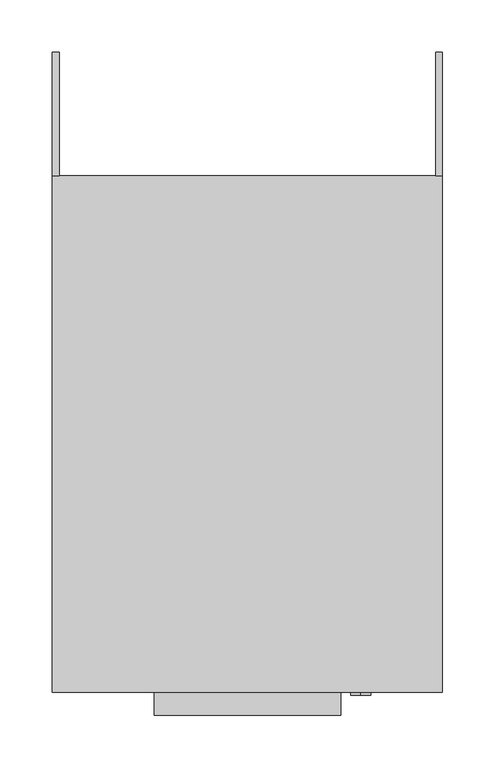
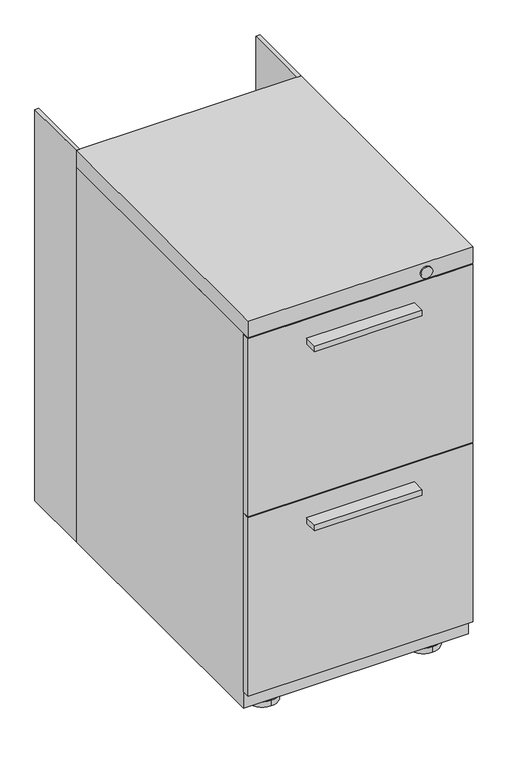
"""IFC4 building model written with IfcOpenShell, lengths in millimetres: furniture geometry."""

import ifcopenshell
import ifcopenshell.guid

model = None  # the IFC model being written
_history = None  # IfcOwnerHistory: only IFC2X3 demands one
_inside = {}  # id of a spatial element -> (the spatial element, [elements in it])
_under = {}  # id of a project, library or spatial element -> (it, [spatial elements below it])
_declared = {}  # id of a project -> (the project, [libraries it declares])
_typed = {}  # id of a type object -> (the type object, [elements of that type])
_made_of = {}  # id of a material, layer set ... -> (it, [elements and type objects made of it])


def new_model(schema):
    """Start an empty IFC model of exactly this schema.

    Asked for "IFC4X3", IfcOpenShell would pick the latest addendum, in which some entities
    have other attributes; the version numbers below select the first issue.
    IFC2X3 requires an IfcOwnerHistory on every rooted entity: one is made here for all.
    """
    global model, _history
    if schema == "IFC4X3":
        model = ifcopenshell.file(schema_version=(4, 3, 0, 0))
    else:
        model = ifcopenshell.file(schema=schema)
    _inside.clear()
    _under.clear()
    _declared.clear()
    _typed.clear()
    _made_of.clear()
    _history = None
    if model.schema == "IFC2X3":
        org = make("IfcOrganization", Name="unknown")
        user = make(
            "IfcPersonAndOrganization",
            ThePerson=make("IfcPerson", FamilyName="unknown"),
            TheOrganization=org,
        )
        app = make(
            "IfcApplication",
            ApplicationDeveloper=org,
            Version="unknown",
            ApplicationFullName="unknown",
            ApplicationIdentifier="unknown",
        )
        _history = make(
            "IfcOwnerHistory",
            OwningUser=user,
            OwningApplication=app,
            ChangeAction="ADDED",
            CreationDate=0,
        )
    return model


def make(cls, **values):
    """One entity of the class cls with the attributes given. An attribute that is None is left unset."""
    return model.create_entity(
        cls, **{name: value for name, value in values.items() if value is not None}
    )


def rooted(cls, **values):
    """An entity with a GlobalId (a new one), such as an element, a storey or a relation."""
    return make(cls, GlobalId=ifcopenshell.guid.new(), OwnerHistory=_history, **values)


def si_unit(unit_type, name, prefix=None):
    """IfcSIUnit, for example si_unit("LENGTHUNIT", "METRE", prefix="MILLI")."""
    return make("IfcSIUnit", UnitType=unit_type, Prefix=prefix, Name=name)


def assignment(units):
    """IfcUnitAssignment: the units of a project."""
    return None if units is None else make("IfcUnitAssignment", Units=units)


def point(xyz):
    """IfcCartesianPoint."""
    return None if xyz is None else make("IfcCartesianPoint", Coordinates=xyz)


def direction(xyz):
    """IfcDirection."""
    return None if xyz is None else make("IfcDirection", DirectionRatios=xyz)


def frame(location, z_axis=None, x_axis=None):
    """IfcAxis2Placement3D, a coordinate frame: its origin and axes. An axis left out is left unset."""
    return make(
        "IfcAxis2Placement3D",
        Location=point(location),
        Axis=direction(z_axis),
        RefDirection=direction(x_axis),
    )


def frame_2d(location, x_axis=None):
    """IfcAxis2Placement2D, a coordinate frame in the plane: its origin and x axis."""
    return make(
        "IfcAxis2Placement2D", Location=point(location), RefDirection=direction(x_axis)
    )


def origin():
    """The frame at (0, 0, 0) with its axes left unset."""
    return frame((0.0, 0.0, 0.0))


def place(relative_to, where):
    """IfcLocalPlacement: puts the frame where relative to a parent placement (None: the world)."""
    return make(
        "IfcLocalPlacement", PlacementRelTo=relative_to, RelativePlacement=where
    )


def context(
    kind, dimensions, precision=None, world=None, true_north=None, identifier=None
):
    """IfcGeometricRepresentationContext, for example the 3D "Model" context."""
    return make(
        "IfcGeometricRepresentationContext",
        ContextIdentifier=identifier,
        ContextType=kind,
        CoordinateSpaceDimension=dimensions,
        Precision=precision,
        WorldCoordinateSystem=world,
        TrueNorth=true_north,
    )


def project(units=None, contexts=None):
    """IfcProject with its units and contexts."""
    return rooted(
        "IfcProject",
        Name="project",
        RepresentationContexts=contexts,
        UnitsInContext=assignment(units),
    )


def spatial(cls, under=None, at=None, **own):
    """A site, building, storey or space (cls), placed at a placement, below another one or the project."""
    s = rooted(cls, ObjectPlacement=at, **own)
    if under is not None:
        _under.setdefault(under.id(), (under, []))[1].append(s)
    return s


def polyline(points):
    """IfcPolyline through the points."""
    return make("IfcPolyline", Points=[point(p) for p in points])


def circle_curve(where, radius):
    """IfcCircle in the frame where."""
    return make("IfcCircle", Position=where, Radius=radius)


def trimmed(basis, trim1, trim2, sense, master):
    """IfcTrimmedCurve: the piece of a basis curve between two trims."""
    return make(
        "IfcTrimmedCurve",
        BasisCurve=basis,
        Trim1=trim1,
        Trim2=trim2,
        SenseAgreement=sense,
        MasterRepresentation=master,
    )


def segment(curve, same_sense, transition):
    """IfcCompositeCurveSegment."""
    return make(
        "IfcCompositeCurveSegment",
        Transition=transition,
        SameSense=same_sense,
        ParentCurve=curve,
    )


def composite_curve(segments, self_intersect=None):
    """IfcCompositeCurve: segments joined end to end."""
    return make("IfcCompositeCurve", Segments=segments, SelfIntersect=self_intersect)


def outline(outer, holes=None, kind="AREA"):
    """IfcArbitraryClosedProfileDef: a profile drawn as a closed curve; with holes, ...WithVoids."""
    if holes is None:
        return make("IfcArbitraryClosedProfileDef", ProfileType=kind, OuterCurve=outer)
    return make(
        "IfcArbitraryProfileDefWithVoids",
        ProfileType=kind,
        OuterCurve=outer,
        InnerCurves=holes,
    )


def extrude(swept, where, along, depth):
    """IfcExtrudedAreaSolid: the profile swept, set in the frame where, extruded along a direction by depth."""
    return make(
        "IfcExtrudedAreaSolid",
        SweptArea=swept,
        Position=where,
        ExtrudedDirection=direction(along),
        Depth=depth,
    )


def shape(context_of_items, identifier, shape_type, items):
    """IfcShapeRepresentation: the items that make up one representation, for example the "Body"."""
    return make(
        "IfcShapeRepresentation",
        ContextOfItems=context_of_items,
        RepresentationIdentifier=identifier,
        RepresentationType=shape_type,
        Items=items,
    )


def source(mapping_origin, context_of_items, identifier, shape_type, items):
    """IfcRepresentationMap: a shape defined once, which mapped items show again and again."""
    return make(
        "IfcRepresentationMap",
        MappingOrigin=mapping_origin,
        MappedRepresentation=shape(context_of_items, identifier, shape_type, items),
    )


def transform(
    local_origin,
    x_axis=None,
    y_axis=None,
    z_axis=None,
    scale=None,
    scale2=None,
    scale3=None,
    uniform=True,
):
    """IfcCartesianTransformationOperator3D, or its non-uniform kind. x_axis, y_axis, z_axis: its Axis1, 2, 3."""
    if uniform:
        return make(
            "IfcCartesianTransformationOperator3D",
            Axis1=direction(x_axis),
            Axis2=direction(y_axis),
            LocalOrigin=point(local_origin),
            Scale=scale,
            Axis3=direction(z_axis),
        )
    return make(
        "IfcCartesianTransformationOperator3DnonUniform",
        Axis1=direction(x_axis),
        Axis2=direction(y_axis),
        LocalOrigin=point(local_origin),
        Scale=scale,
        Axis3=direction(z_axis),
        Scale2=scale2,
        Scale3=scale3,
    )


def mapped(mapping_source, mapping_target):
    """IfcMappedItem: shows the shape of a source again, moved by a transform."""
    return make(
        "IfcMappedItem", MappingSource=mapping_source, MappingTarget=mapping_target
    )


def made_of(thing, what):
    """Note that an element or type object is made of a material, layer set ...; save() writes the relation."""
    if what is not None:
        _made_of.setdefault(what.id(), (what, []))[1].append(thing)
    return thing


def element(
    cls,
    number,
    at=None,
    inside=None,
    cuts=None,
    type_object=None,
    material=None,
    context=None,
    identifier="Body",
    shape_type=None,
    held_by="IfcProductDefinitionShape",
    body=None,
    shapes=None,
    **own,
):
    """One element of the class cls, such as IfcWall. Its Tag is "e" and its number.

    at: its placement. inside: the storey or other place that contains it. cuts: it is an
    opening in that element (IfcRelVoidsElement). A single representation is given by context,
    identifier, shape_type and body (its items); several are given by shapes. held_by: the class
    of the entity that holds the representations. save() writes the other relations.
    """
    e = rooted(cls, Tag="e%d" % number, ObjectPlacement=at, **own)
    if body is not None:
        shapes = [shape(context, identifier, shape_type, body)]
    if shapes is not None:
        e.Representation = make(held_by, Representations=shapes)
    if inside is not None:
        _inside.setdefault(inside.id(), (inside, []))[1].append(e)
    if cuts is not None:
        rooted(
            "IfcRelVoidsElement", RelatingBuildingElement=cuts, RelatedOpeningElement=e
        )
    if type_object is not None:
        _typed.setdefault(type_object.id(), (type_object, []))[1].append(e)
    return made_of(e, material)


def aggregate(whole, parts):
    """IfcRelAggregates: a whole, such as a stair, and the parts it consists of."""
    return rooted("IfcRelAggregates", RelatingObject=whole, RelatedObjects=parts)


def save(model, path):
    """Write the relations noted so far, then the file.

    IfcRelAggregates (storeys below a building ...), IfcRelContainedInSpatialStructure (elements
    in a storey), IfcRelDefinesByType, IfcRelAssociatesMaterial and IfcRelDeclares: one each for
    every whole, place, type object, material and project.
    """
    for whole, parts in _under.values():
        aggregate(whole, parts)
    for where, things in _inside.values():
        rooted(
            "IfcRelContainedInSpatialStructure",
            RelatedElements=things,
            RelatingStructure=where,
        )
    for kind, things in _typed.values():
        rooted("IfcRelDefinesByType", RelatedObjects=things, RelatingType=kind)
    for what, things in _made_of.values():
        rooted("IfcRelAssociatesMaterial", RelatedObjects=things, RelatingMaterial=what)
    for by, libraries in _declared.values():
        rooted("IfcRelDeclares", RelatingContext=by, RelatedDefinitions=libraries)
    model.write(path)


def plane_surface(at):
    """IfcPlane: the flat surface through the origin of the frame at, square to its z axis."""
    return make("IfcPlane", Position=at)


def cylinder_surface(at, radius):
    """IfcCylindricalSurface: all points at the distance radius from the z axis of the frame at."""
    return make("IfcCylindricalSurface", Position=at, Radius=radius)


def advanced_brep(points, edges, surfaces, faces):
    """IfcAdvancedBrep: a solid bounded by faces that lie on surfaces and meet in shared edges.

    An edge is (start, end): straight between two places in points (the first is 0);
    or (start, end, curve); or (start, end, curve, False) where it runs against its curve.
    A face is (place in surfaces, loops), or (place, loops, False) where it looks against
    its surface's normal. A loop lists edges by number (the first is 1), with a minus sign
    where the edge is run from its end to its start. The first loop is the outer one.
    """
    corners = [point(p) for p in points]
    vertices = [make("IfcVertexPoint", VertexGeometry=c) for c in corners]
    made = []
    for start, end, *more in edges:
        made.append(
            make(
                "IfcEdgeCurve",
                EdgeStart=vertices[start],
                EdgeEnd=vertices[end],
                EdgeGeometry=more[0] if more else make("IfcPolyline", Points=[corners[start], corners[end]]),
                SameSense=more[1] if len(more) > 1 else True,
            )
        )
    hull = []
    for where, loops, *sense in faces:
        bounds = []
        for j, loop in enumerate(loops):
            ring = [make("IfcOrientedEdge", EdgeElement=made[abs(k) - 1], Orientation=k > 0) for k in loop]
            bounds.append(
                make(
                    "IfcFaceOuterBound" if j == 0 else "IfcFaceBound",
                    Bound=make("IfcEdgeLoop", EdgeList=ring),
                    Orientation=True,
                )
            )
        hull.append(make("IfcAdvancedFace", Bounds=bounds, FaceSurface=surfaces[where], SameSense=sense[0] if sense else True))
    return make("IfcAdvancedBrep", Outer=make("IfcClosedShell", CfsFaces=hull))


def furniture_1a0fcc10(model_context):
    return source(origin(), model_context, "Body", "SolidModel", [
        extrude(outline(polyline([(88.9, -268.2875), (-88.9, -268.2875), (-88.9, -246.0625), (88.9, -246.0625), (88.9, -268.2875)])), frame((0.0, 0.0, 319.0875038), z_axis=(0.0, 0.0, 1.0), x_axis=(1.0, 0.0, 0.0)), (0.0, 0.0, 1.0), 9.525),
        extrude(outline(polyline([(88.9, -268.2875), (-88.9, -268.2875), (-88.9, -246.0625), (88.9, -246.0625), (88.9, -268.2875)])), frame((0.0, 0.0, 631.825003), z_axis=(0.0, 0.0, 1.0), x_axis=(1.0, 0.0, 0.0)), (0.0, 0.0, 1.0), 9.525),
        advanced_brep(
        [(133.35, 217.4874864, 22.2249992), (133.35, 192.0874924, 22.2249992), (133.35, 204.7874894, 22.2249992), (133.35, 217.4874864, 9.525), (133.35, 192.0874924, 9.525), (133.35, 230.1874879, 9.525), (133.35, 179.3874909, 9.525), (133.35, 230.1874879, 0.0), (133.35, 179.3874909, 0.0), (133.35, 204.7874894, 0.0)],
        [
            (0, 1, circle_curve(frame((133.35, 204.7874894, 22.2249992), z_axis=(0.0, 0.0, 1.0), x_axis=(0.0, -1.0, 0.0)), 12.699997)),
            (1, 2),
            (2, 0),
            (1, 0, circle_curve(frame((133.35, 204.7874894, 22.2249992), z_axis=(0.0, 0.0, 1.0), x_axis=(0.0, -1.0, 0.0)), 12.699997)),
            (3, 4, circle_curve(frame((133.35, 204.7874894, 9.525), z_axis=(0.0, 0.0, 1.0), x_axis=(0.0, -1.0, 0.0)), 12.699997)),
            (4, 1),
            (0, 3),
            (4, 3, circle_curve(frame((133.35, 204.7874894, 9.525), z_axis=(0.0, 0.0, 1.0), x_axis=(0.0, -1.0, 0.0)), 12.699997)),
            (5, 6, circle_curve(frame((133.35, 204.7874894, 9.525), z_axis=(0.0, 0.0, 1.0), x_axis=(0.0, -1.0, 0.0)), 25.3999985)),
            (6, 4),
            (3, 5),
            (6, 5, circle_curve(frame((133.35, 204.7874894, 9.525), z_axis=(0.0, 0.0, 1.0), x_axis=(0.0, -1.0, 0.0)), 25.3999985)),
            (7, 8, circle_curve(frame((133.35, 204.7874894, 0.0), z_axis=(0.0, 0.0, 1.0), x_axis=(0.0, -1.0, 0.0)), 25.3999985)),
            (8, 6),
            (5, 7),
            (8, 7, circle_curve(frame((133.35, 204.7874894, 0.0), z_axis=(0.0, 0.0, 1.0), x_axis=(0.0, -1.0, 0.0)), 25.3999985)),
            (9, 8),
            (7, 9),
        ],
        [
            plane_surface(frame((133.35, 204.7874894, 22.2249992), z_axis=(0.0, 0.0, 1.0), x_axis=(0.0, -1.0, 0.0))),
            cylinder_surface(frame((133.35, 204.7874894, 0.0), z_axis=(0.0, 0.0, -1.0), x_axis=(0.0, -1.0, 0.0)), 12.699997),
            plane_surface(frame((133.35, 204.7874894, 9.525), z_axis=(0.0, 0.0, 1.0), x_axis=(0.0, -1.0, 0.0))),
            cylinder_surface(frame((133.35, 204.7874894, 0.0), z_axis=(0.0, 0.0, -1.0), x_axis=(0.0, -1.0, 0.0)), 25.3999985),
            plane_surface(frame((133.35, 204.7874894, 0.0), z_axis=(0.0, 0.0, -1.0), x_axis=(0.0, -1.0, 0.0))),
        ],
        [
            (0, [[1, 2, 3]]),
            (0, [[4, -3, -2]]),
            (1, [[5, 6, -1, 7]]),
            (1, [[8, -7, -4, -6]]),
            (2, [[9, 10, -5, 11]]),
            (2, [[12, -11, -8, -10]]),
            (3, [[13, 14, -9, 15]]),
            (3, [[16, -15, -12, -14]]),
            (4, [[17, -13, 18]]),
            (4, [[-18, -16, -17]]),
        ],
    ),
        advanced_brep(
        [(133.35, -182.5625136, 22.2249992), (133.35, -207.9625076, 22.2249992), (133.35, -195.2625106, 22.2249992), (133.35, -182.5625136, 9.525), (133.35, -207.9625076, 9.525), (133.35, -169.8625121, 9.525), (133.35, -220.6625091, 9.525), (133.35, -169.8625121, 0.0), (133.35, -220.6625091, 0.0), (133.35, -195.2625106, 0.0)],
        [
            (0, 1, circle_curve(frame((133.35, -195.2625106, 22.2249992), z_axis=(0.0, 0.0, 1.0), x_axis=(0.0, -1.0, 0.0)), 12.699997)),
            (1, 2),
            (2, 0),
            (1, 0, circle_curve(frame((133.35, -195.2625106, 22.2249992), z_axis=(0.0, 0.0, 1.0), x_axis=(0.0, -1.0, 0.0)), 12.699997)),
            (3, 4, circle_curve(frame((133.35, -195.2625106, 9.525), z_axis=(0.0, 0.0, 1.0), x_axis=(0.0, -1.0, 0.0)), 12.699997)),
            (4, 1),
            (0, 3),
            (4, 3, circle_curve(frame((133.35, -195.2625106, 9.525), z_axis=(0.0, 0.0, 1.0), x_axis=(0.0, -1.0, 0.0)), 12.699997)),
            (5, 6, circle_curve(frame((133.35, -195.2625106, 9.525), z_axis=(0.0, 0.0, 1.0), x_axis=(0.0, -1.0, 0.0)), 25.3999985)),
            (6, 4),
            (3, 5),
            (6, 5, circle_curve(frame((133.35, -195.2625106, 9.525), z_axis=(0.0, 0.0, 1.0), x_axis=(0.0, -1.0, 0.0)), 25.3999985)),
            (7, 8, circle_curve(frame((133.35, -195.2625106, 0.0), z_axis=(0.0, 0.0, 1.0), x_axis=(0.0, -1.0, 0.0)), 25.3999985)),
            (8, 6),
            (5, 7),
            (8, 7, circle_curve(frame((133.35, -195.2625106, 0.0), z_axis=(0.0, 0.0, 1.0), x_axis=(0.0, -1.0, 0.0)), 25.3999985)),
            (9, 8),
            (7, 9),
        ],
        [
            plane_surface(frame((133.35, -195.2625106, 22.2249992), z_axis=(0.0, 0.0, 1.0), x_axis=(0.0, -1.0, 0.0))),
            cylinder_surface(frame((133.35, -195.2625106, 0.0), z_axis=(0.0, 0.0, -1.0), x_axis=(0.0, -1.0, 0.0)), 12.699997),
            plane_surface(frame((133.35, -195.2625106, 9.525), z_axis=(0.0, 0.0, 1.0), x_axis=(0.0, -1.0, 0.0))),
            cylinder_surface(frame((133.35, -195.2625106, 0.0), z_axis=(0.0, 0.0, -1.0), x_axis=(0.0, -1.0, 0.0)), 25.3999985),
            plane_surface(frame((133.35, -195.2625106, 0.0), z_axis=(0.0, 0.0, -1.0), x_axis=(0.0, -1.0, 0.0))),
        ],
        [
            (0, [[1, 2, 3]]),
            (0, [[4, -3, -2]]),
            (1, [[5, 6, -1, 7]]),
            (1, [[8, -7, -4, -6]]),
            (2, [[9, 10, -5, 11]]),
            (2, [[12, -11, -8, -10]]),
            (3, [[13, 14, -9, 15]]),
            (3, [[16, -15, -12, -14]]),
            (4, [[17, -13, 18]]),
            (4, [[-18, -16, -17]]),
        ],
    ),
        advanced_brep(
        [(-133.35, -182.5625136, 22.2249992), (-133.35, -207.9625076, 22.2249992), (-133.35, -195.2625106, 22.2249992), (-133.35, -182.5625136, 9.525), (-133.35, -207.9625076, 9.525), (-133.35, -169.8625121, 9.525), (-133.35, -220.6625091, 9.525), (-133.35, -169.8625121, 0.0), (-133.35, -220.6625091, 0.0), (-133.35, -195.2625106, 0.0)],
        [
            (0, 1, circle_curve(frame((-133.35, -195.2625106, 22.2249992), z_axis=(0.0, 0.0, 1.0), x_axis=(0.0, -1.0, 0.0)), 12.699997)),
            (1, 2),
            (2, 0),
            (1, 0, circle_curve(frame((-133.35, -195.2625106, 22.2249992), z_axis=(0.0, 0.0, 1.0), x_axis=(0.0, -1.0, 0.0)), 12.699997)),
            (3, 4, circle_curve(frame((-133.35, -195.2625106, 9.525), z_axis=(0.0, 0.0, 1.0), x_axis=(0.0, -1.0, 0.0)), 12.699997)),
            (4, 1),
            (0, 3),
            (4, 3, circle_curve(frame((-133.35, -195.2625106, 9.525), z_axis=(0.0, 0.0, 1.0), x_axis=(0.0, -1.0, 0.0)), 12.699997)),
            (5, 6, circle_curve(frame((-133.35, -195.2625106, 9.525), z_axis=(0.0, 0.0, 1.0), x_axis=(0.0, -1.0, 0.0)), 25.3999985)),
            (6, 4),
            (3, 5),
            (6, 5, circle_curve(frame((-133.35, -195.2625106, 9.525), z_axis=(0.0, 0.0, 1.0), x_axis=(0.0, -1.0, 0.0)), 25.3999985)),
            (7, 8, circle_curve(frame((-133.35, -195.2625106, 0.0), z_axis=(0.0, 0.0, 1.0), x_axis=(0.0, -1.0, 0.0)), 25.3999985)),
            (8, 6),
            (5, 7),
            (8, 7, circle_curve(frame((-133.35, -195.2625106, 0.0), z_axis=(0.0, 0.0, 1.0), x_axis=(0.0, -1.0, 0.0)), 25.3999985)),
            (9, 8),
            (7, 9),
        ],
        [
            plane_surface(frame((-133.35, -195.2625106, 22.2249992), z_axis=(0.0, 0.0, 1.0), x_axis=(0.0, -1.0, 0.0))),
            cylinder_surface(frame((-133.35, -195.2625106, 0.0), z_axis=(0.0, 0.0, -1.0), x_axis=(0.0, -1.0, 0.0)), 12.699997),
            plane_surface(frame((-133.35, -195.2625106, 9.525), z_axis=(0.0, 0.0, 1.0), x_axis=(0.0, -1.0, 0.0))),
            cylinder_surface(frame((-133.35, -195.2625106, 0.0), z_axis=(0.0, 0.0, -1.0), x_axis=(0.0, -1.0, 0.0)), 25.3999985),
            plane_surface(frame((-133.35, -195.2625106, 0.0), z_axis=(0.0, 0.0, -1.0), x_axis=(0.0, -1.0, 0.0))),
        ],
        [
            (0, [[1, 2, 3]]),
            (0, [[4, -3, -2]]),
            (1, [[5, 6, -1, 7]]),
            (1, [[8, -7, -4, -6]]),
            (2, [[9, 10, -5, 11]]),
            (2, [[12, -11, -8, -10]]),
            (3, [[13, 14, -9, 15]]),
            (3, [[16, -15, -12, -14]]),
            (4, [[17, -13, 18]]),
            (4, [[-18, -16, -17]]),
        ],
    ),
        advanced_brep(
        [(-133.35, 217.4874864, 22.2249992), (-133.35, 192.0874924, 22.2249992), (-133.35, 204.7874894, 22.2249992), (-133.35, 217.4874864, 9.525), (-133.35, 192.0874924, 9.525), (-133.35, 230.1874879, 9.525), (-133.35, 179.3874909, 9.525), (-133.35, 230.1874879, 0.0), (-133.35, 179.3874909, 0.0), (-133.35, 204.7874894, 0.0)],
        [
            (0, 1, circle_curve(frame((-133.35, 204.7874894, 22.2249992), z_axis=(0.0, 0.0, 1.0), x_axis=(0.0, -1.0, 0.0)), 12.699997)),
            (1, 2),
            (2, 0),
            (1, 0, circle_curve(frame((-133.35, 204.7874894, 22.2249992), z_axis=(0.0, 0.0, 1.0), x_axis=(0.0, -1.0, 0.0)), 12.699997)),
            (3, 4, circle_curve(frame((-133.35, 204.7874894, 9.525), z_axis=(0.0, 0.0, 1.0), x_axis=(0.0, -1.0, 0.0)), 12.699997)),
            (4, 1),
            (0, 3),
            (4, 3, circle_curve(frame((-133.35, 204.7874894, 9.525), z_axis=(0.0, 0.0, 1.0), x_axis=(0.0, -1.0, 0.0)), 12.699997)),
            (5, 6, circle_curve(frame((-133.35, 204.7874894, 9.525), z_axis=(0.0, 0.0, 1.0), x_axis=(0.0, -1.0, 0.0)), 25.3999985)),
            (6, 4),
            (3, 5),
            (6, 5, circle_curve(frame((-133.35, 204.7874894, 9.525), z_axis=(0.0, 0.0, 1.0), x_axis=(0.0, -1.0, 0.0)), 25.3999985)),
            (7, 8, circle_curve(frame((-133.35, 204.7874894, 0.0), z_axis=(0.0, 0.0, 1.0), x_axis=(0.0, -1.0, 0.0)), 25.3999985)),
            (8, 6),
            (5, 7),
            (8, 7, circle_curve(frame((-133.35, 204.7874894, 0.0), z_axis=(0.0, 0.0, 1.0), x_axis=(0.0, -1.0, 0.0)), 25.3999985)),
            (9, 8),
            (7, 9),
        ],
        [
            plane_surface(frame((-133.35, 204.7874894, 22.2249992), z_axis=(0.0, 0.0, 1.0), x_axis=(0.0, -1.0, 0.0))),
            cylinder_surface(frame((-133.35, 204.7874894, 0.0), z_axis=(0.0, 0.0, -1.0), x_axis=(0.0, -1.0, 0.0)), 12.699997),
            plane_surface(frame((-133.35, 204.7874894, 9.525), z_axis=(0.0, 0.0, 1.0), x_axis=(0.0, -1.0, 0.0))),
            cylinder_surface(frame((-133.35, 204.7874894, 0.0), z_axis=(0.0, 0.0, -1.0), x_axis=(0.0, -1.0, 0.0)), 25.3999985),
            plane_surface(frame((-133.35, 204.7874894, 0.0), z_axis=(0.0, 0.0, -1.0), x_axis=(0.0, -1.0, 0.0))),
        ],
        [
            (0, [[1, 2, 3]]),
            (0, [[4, -3, -2]]),
            (1, [[5, 6, -1, 7]]),
            (1, [[8, -7, -4, -6]]),
            (2, [[9, 10, -5, 11]]),
            (2, [[12, -11, -8, -10]]),
            (3, [[13, 14, -9, 15]]),
            (3, [[16, -15, -12, -14]]),
            (4, [[17, -13, 18]]),
            (4, [[-18, -16, -17]]),
        ],
    ),
        extrude(outline(polyline([(-179.3875, 363.5375), (-179.3875, 246.0625), (-185.7375, 246.0625), (-185.7375, 363.5375), (-179.3875, 363.5375)])), frame((0.0, 0.0, 22.2249992), z_axis=(0.0, 0.0, 1.0), x_axis=(1.0, 0.0, 0.0)), (0.0, 0.0, 1.0), 682.6250008),
        extrude(outline(polyline([(179.3875, 246.0625), (179.3875, 363.5375), (185.7375, 363.5375), (185.7375, 246.0625), (179.3875, 246.0625)])), frame((0.0, 0.0, 22.2249992), z_axis=(0.0, 0.0, 1.0), x_axis=(1.0, 0.0, 0.0)), (0.0, 0.0, 1.0), 682.6250008),
        extrude(outline(polyline([(-185.7375, -233.3624516), (185.7375, -233.3624516), (185.7375, -246.0625), (-185.7375, -246.0625), (-185.7375, -233.3624516)])), frame((0.0, 0.0, 363.5374985), z_axis=(0.0, 0.0, 1.0), x_axis=(1.0, 0.0, 0.0)), (0.0, 0.0, 1.0), 311.1500121),
        extrude(outline(polyline([(-185.7375, -233.3624516), (185.7375, -233.3624516), (185.7375, -246.0625), (-185.7375, -246.0625), (-185.7375, -233.3624516)])), frame((0.0, 0.0, 50.7999992), z_axis=(0.0, 0.0, 1.0), x_axis=(1.0, 0.0, 0.0)), (0.0, 0.0, 1.0), 311.1500121),
        extrude(outline(polyline([(185.7375, 246.0625), (185.7375, -246.0625), (-185.7375, -246.0625), (-185.7375, 246.0625), (185.7375, 246.0625)])), frame((0.0, 0.0, 676.275), z_axis=(0.0, 0.0, 1.0), x_axis=(1.0, 0.0, 0.0)), (0.0, 0.0, 1.0), 28.575),
        extrude(outline(polyline([(185.7375, 246.0625), (185.7375, -233.3624516), (-185.7375, -233.3624516), (-185.7375, 246.0625), (185.7375, 246.0625)])), frame((0.0, 0.0, 22.2249992), z_axis=(0.0, 0.0, 1.0), x_axis=(1.0, 0.0, 0.0)), (0.0, 0.0, 1.0), 654.0500008),
        extrude(outline(composite_curve([segment(trimmed(circle_curve(frame_2d((688.9750242, 107.9500242)), 9.525), [point((679.4500242, 107.9500242))], [point((698.5000242, 107.9500242))], False, "CARTESIAN"), True, "CONTINUOUS"), segment(trimmed(circle_curve(frame_2d((688.9750242, 107.9500242)), 9.525), [point((698.5000242, 107.9500242))], [point((679.4500242, 107.9500242))], False, "CARTESIAN"), True, "CONTINUOUS")], self_intersect=False)), frame((0.0, -249.2374879, 0.0), z_axis=(0.0, 1.0, 0.0), x_axis=(0.0, 0.0, 1.0)), (0.0, 0.0, 1.0), 3.1749879),
    ])


if __name__ == "__main__":
    model = new_model("IFC4")
    model_context = context("Model", 3, world=origin())
    ifc_project = project(units=[si_unit("LENGTHUNIT", "METRE", prefix="MILLI")], contexts=[model_context])
    site = spatial("IfcSite", under=ifc_project)
    building = spatial("IfcBuilding", under=site)
    placement = place(None, origin())
    furniture_shape = furniture_1a0fcc10(model_context)
    element("IfcFurniture", 1, at=placement, inside=building, context=model_context, shape_type="MappedRepresentation", body=[
        mapped(furniture_shape, transform((0.0, 0.0, 0.0), x_axis=(1.0, 0.0, 0.0), y_axis=(0.0, 1.0, 0.0), z_axis=(0.0, 0.0, 1.0))),
    ])
    save(model, "model.ifc")
